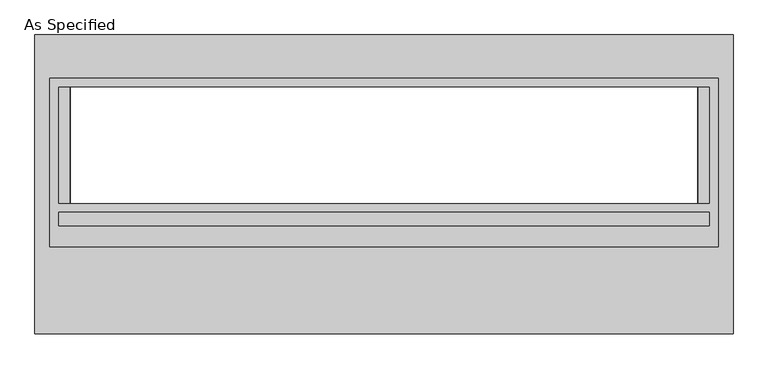
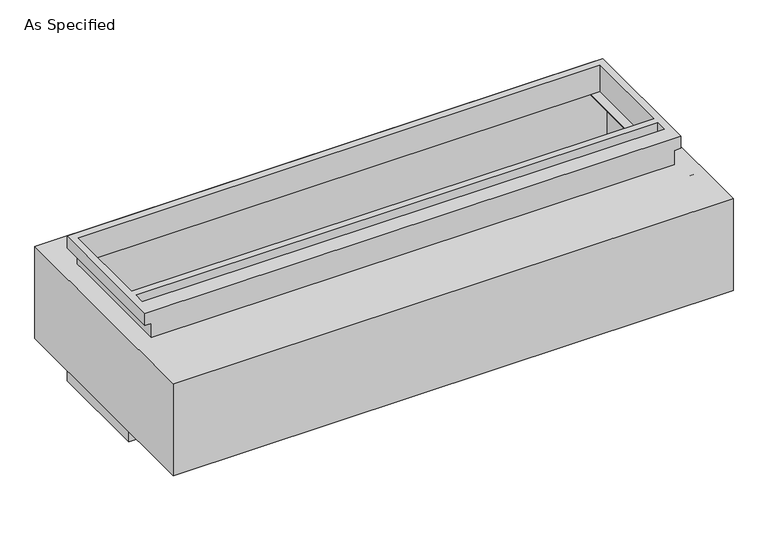
"""IFC4 building model written with IfcOpenShell, lengths in millimetres: proxy geometry, As Specified."""

from ifc_helpers import new_model, si_unit, frame, origin, place, context, project, spatial, polyline, circle_curve, faceted_brep, source, transform, mapped, element, save
from ifc_brep_helpers import plane_surface, revolved_surface, advanced_brep


def as_specified_a79d4cc7(model_context):
    return source(origin(), model_context, "Body", "SolidModel", [
        faceted_brep([(1460.5, 464.2941406, -682.625), (1460.5, -119.9058594, -682.625), (-1460.5, -119.9058594, -682.625), (-1460.5, 464.2941406, -682.625), (1422.4, -83.3933594, -682.625), (1422.4, 424.6066406, -682.625), (-1422.4, 424.6066406, -682.625), (-1422.4, -83.3933594, -682.625), (-1425.575, -119.9058594, -530.225), (1425.575, -119.9058594, -530.225), (1425.575, 429.3691406, -530.225), (-1425.575, 429.3691406, -530.225), (1422.4, 424.6066406, -530.225), (1422.4, -83.3933594, -530.225), (-1422.4, -83.3933594, -530.225), (-1422.4, 424.6066406, -530.225), (-1460.5, 464.2941406, -612.775), (1460.5, 464.2941406, -612.775), (-1460.5, -119.9058594, -612.775), (1460.5, -119.9058594, -612.775), (1425.575, -119.9058594, -612.775), (-1425.575, -119.9058594, -612.775), (-1425.575, 429.3691406, -612.775), (1425.575, 429.3691406, -612.775)], [[[0, 1, 2, 3], [4, 5, 6, 7]], [[8, 9, 10, 11], [12, 13, 14, 15]], [[0, 3, 16, 17]], [[3, 2, 18, 16]], [[2, 1, 19, 20, 9, 8, 21, 18]], [[1, 0, 17, 19]], [[22, 23, 20, 19, 17, 16, 18, 21]], [[23, 10, 9, 20]], [[23, 22, 11, 10]], [[11, 22, 21, 8]], [[12, 5, 4, 13]], [[13, 4, 7, 14]], [[14, 7, 6, 15]], [[5, 12, 15, 6]]]),
        advanced_brep(
        [(1526.38125, 653.3058594, -530.3242188), (1526.38125, -653.3058594, -530.3242188), (-1526.38125, -653.3058594, -530.3242188), (-1526.38125, 653.3058594, -530.3242188), (1371.6, -83.3933594, -530.3242188), (1371.6, 424.6066406, -530.3242188), (-1371.6, 424.6066406, -530.3242188), (-1371.6, -83.3933594, -530.3242188), (1526.38125, 653.3058594, 0.0), (-1526.38125, 653.3058594, 0.0), (-1526.38125, -653.3058594, 0.0), (1526.38125, -653.3058594, 0.0), (1371.6, 424.6066406, 0.0), (1371.6, -83.3933594, 0.0), (-1371.6, -83.3933594, 0.0), (-1371.6, 424.6066406, 0.0), (1526.38125, -272.3058594, -430.3117188), (1526.38125, -294.5308594, -430.3117188), (1526.38125, -170.7058594, -430.3117188), (1526.38125, -192.9308594, -430.3117188), (1526.38125, -272.3058594, -100.1117188), (1526.38125, -294.5308594, -100.1117188), (1526.38125, -170.7058594, -100.1117188), (1526.38125, -192.9308594, -100.1117188), (-1460.5, 424.6066406, -527.05), (-1460.5, -83.3933594, -527.05), (-1371.6, -83.3933594, -527.05), (-1371.6, 424.6066406, -527.05), (1460.5, -83.3933594, -527.05), (1460.5, 424.6066406, -527.05), (1371.6, 424.6066406, -527.05), (1371.6, -83.3933594, -527.05), (1460.5, 424.6066406, -3.175), (1460.5, -83.3933594, -3.175), (1371.6, -83.3933594, -3.175), (1371.6, 424.6066406, -3.175), (-1460.5, -83.3933594, -3.175), (-1460.5, 424.6066406, -3.175), (-1371.6, 424.6066406, -3.175), (-1371.6, -83.3933594, -3.175), (1510.528271, -294.5308594, -430.3117188), (1510.528271, -272.3058594, -430.3117188), (1510.528271, -192.9308594, -430.3117188), (1510.528271, -170.7058594, -430.3117188), (1510.528271, -294.5308594, -100.1117188), (1510.528271, -272.3058594, -100.1117188), (1510.528271, -192.9308594, -100.1117188), (1510.528271, -170.7058594, -100.1117188)],
        [
            (0, 1),
            (1, 2),
            (2, 3),
            (3, 0),
            (4, 5),
            (5, 6),
            (6, 7),
            (7, 4),
            (8, 9),
            (9, 10),
            (10, 11),
            (11, 8),
            (12, 13),
            (13, 14),
            (14, 15),
            (15, 12),
            (3, 9),
            (8, 0),
            (2, 10),
            (1, 11),
            (16, 17, circle_curve(frame((1526.38125, -283.4183594, -430.3117188), z_axis=(-1.0, 0.0, 0.0), x_axis=(0.0, 1.0, 0.0)), 11.1125)),
            (17, 16, circle_curve(frame((1526.38125, -283.4183594, -430.3117188), z_axis=(-1.0, 0.0, 0.0), x_axis=(0.0, 1.0, 0.0)), 11.1125)),
            (18, 19, circle_curve(frame((1526.38125, -181.8183594, -430.3117188), z_axis=(-1.0, 0.0, 0.0), x_axis=(0.0, 1.0, 0.0)), 11.1125)),
            (19, 18, circle_curve(frame((1526.38125, -181.8183594, -430.3117188), z_axis=(-1.0, 0.0, 0.0), x_axis=(0.0, 1.0, 0.0)), 11.1125)),
            (20, 21, circle_curve(frame((1526.38125, -283.4183594, -100.1117188), z_axis=(-1.0, 0.0, 0.0), x_axis=(0.0, 1.0, 0.0)), 11.1125)),
            (21, 20, circle_curve(frame((1526.38125, -283.4183594, -100.1117188), z_axis=(-1.0, 0.0, 0.0), x_axis=(0.0, 1.0, 0.0)), 11.1125)),
            (22, 23, circle_curve(frame((1526.38125, -181.8183594, -100.1117188), z_axis=(-1.0, 0.0, 0.0), x_axis=(0.0, 1.0, 0.0)), 11.1125)),
            (23, 22, circle_curve(frame((1526.38125, -181.8183594, -100.1117188), z_axis=(-1.0, 0.0, 0.0), x_axis=(0.0, 1.0, 0.0)), 11.1125)),
            (24, 25),
            (25, 26),
            (26, 27),
            (27, 24),
            (28, 29),
            (29, 30),
            (30, 31),
            (31, 28),
            (32, 33),
            (33, 34),
            (34, 35),
            (35, 32),
            (36, 37),
            (37, 38),
            (38, 39),
            (39, 36),
            (28, 33),
            (32, 29),
            (31, 4),
            (7, 26),
            (25, 36),
            (39, 14),
            (13, 34),
            (24, 37),
            (35, 12),
            (15, 38),
            (27, 6),
            (5, 30),
            (40, 41, circle_curve(frame((1510.528271, -283.4183594, -430.3117188), z_axis=(1.0, 0.0, 0.0), x_axis=(0.0, 1.0, 0.0)), 11.1125)),
            (41, 40, circle_curve(frame((1510.528271, -283.4183594, -430.3117188), z_axis=(1.0, 0.0, 0.0), x_axis=(0.0, 1.0, 0.0)), 11.1125)),
            (42, 43, circle_curve(frame((1510.528271, -181.8183594, -430.3117188), z_axis=(1.0, 0.0, 0.0), x_axis=(0.0, 1.0, 0.0)), 11.1125)),
            (43, 42, circle_curve(frame((1510.528271, -181.8183594, -430.3117188), z_axis=(1.0, 0.0, 0.0), x_axis=(0.0, 1.0, 0.0)), 11.1125)),
            (44, 45, circle_curve(frame((1510.528271, -283.4183594, -100.1117188), z_axis=(1.0, 0.0, 0.0), x_axis=(0.0, 1.0, 0.0)), 11.1125)),
            (45, 44, circle_curve(frame((1510.528271, -283.4183594, -100.1117188), z_axis=(1.0, 0.0, 0.0), x_axis=(0.0, 1.0, 0.0)), 11.1125)),
            (46, 47, circle_curve(frame((1510.528271, -181.8183594, -100.1117188), z_axis=(1.0, 0.0, 0.0), x_axis=(0.0, 1.0, 0.0)), 11.1125)),
            (47, 46, circle_curve(frame((1510.528271, -181.8183594, -100.1117188), z_axis=(1.0, 0.0, 0.0), x_axis=(0.0, 1.0, 0.0)), 11.1125)),
            (40, 17),
            (16, 41),
            (42, 19),
            (18, 43),
            (44, 21),
            (20, 45),
            (46, 23),
            (22, 47),
        ],
        [
            plane_surface(frame((-1526.38125, 653.3058594, -530.3242188), z_axis=(0.0, 0.0, -1.0), x_axis=(1.0, 0.0, 0.0))),
            plane_surface(frame((-1526.38125, 653.3058594, 0.0), z_axis=(0.0, 0.0, 1.0), x_axis=(-1.0, 0.0, 0.0))),
            plane_surface(frame((1526.38125, 653.3058594, 0.0), z_axis=(0.0, 1.0, 0.0), x_axis=(0.0, 0.0, -1.0))),
            plane_surface(frame((-1526.38125, 653.3058594, 0.0), z_axis=(-1.0, 0.0, 0.0), x_axis=(0.0, 0.0, -1.0))),
            plane_surface(frame((-1526.38125, -653.3058594, 0.0), z_axis=(0.0, -1.0, 0.0), x_axis=(0.0, 0.0, -1.0))),
            plane_surface(frame((1526.38125, -653.3058594, 0.0), z_axis=(1.0, 0.0, 0.0), x_axis=(0.0, 0.0, -1.0))),
            plane_surface(frame((1460.5, 424.6066406, -527.05), z_axis=(0.0, 0.0, 1.0), x_axis=(0.0, -1.0, 0.0))),
            plane_surface(frame((1460.5, 424.6066406, -3.175), z_axis=(0.0, 0.0, -1.0), x_axis=(0.0, 1.0, 0.0))),
            plane_surface(frame((1460.5, 424.6066406, -527.05), z_axis=(-1.0, 0.0, 0.0), x_axis=(0.0, 0.0, 1.0))),
            plane_surface(frame((1460.5, -83.3933594, -527.05), z_axis=(0.0, 1.0, 0.0), x_axis=(0.0, 0.0, 1.0))),
            plane_surface(frame((-1460.5, -83.3933594, -527.05), z_axis=(1.0, 0.0, 0.0), x_axis=(0.0, 0.0, 1.0))),
            plane_surface(frame((-1460.5, 424.6066406, -527.05), z_axis=(0.0, -1.0, 0.0), x_axis=(0.0, 0.0, 1.0))),
            plane_surface(frame((1371.6, 424.6066406, -25.4), z_axis=(-1.0, 0.0, 0.0), x_axis=(0.0, 0.0, 1.0))),
            plane_surface(frame((-1371.6, -83.3933594, -25.4), z_axis=(1.0, 0.0, 0.0), x_axis=(0.0, 0.0, 1.0))),
            plane_surface(frame((1510.528271, -272.3058594, -430.3117188), z_axis=(1.0, 0.0, 0.0), x_axis=(0.0, 0.0, -1.0))),
            revolved_surface(polyline([(1526.38125, -272.3058594, -430.3117188), (1510.528271, -272.3058594, -430.3117188)]), (1510.528271, -283.4183594, -430.3117188), (1.0, 0.0, 0.0)),
            revolved_surface(polyline([(1526.38125, -170.70585939999998, -430.3117188), (1510.528271, -170.70585939999998, -430.3117188)]), (0.0, -181.8183594, -430.3117188), (1.0, 0.0, 0.0)),
            revolved_surface(polyline([(1526.38125, -272.3058594, -100.1117188), (1510.528271, -272.3058594, -100.1117188)]), (0.0, -283.4183594, -100.1117188), (1.0, 0.0, 0.0)),
            revolved_surface(polyline([(1526.38125, -170.70585939999998, -100.1117188), (1510.528271, -170.70585939999998, -100.1117188)]), (0.0, -181.8183594, -100.1117188), (1.0, 0.0, 0.0)),
            plane_surface(frame((1371.6, -83.3933594, -504.825), z_axis=(-1.0, 0.0, 0.0), x_axis=(0.0, 0.0, -1.0))),
            plane_surface(frame((-1371.6, 424.6066406, -504.825), z_axis=(1.0, 0.0, 0.0), x_axis=(0.0, 0.0, -1.0))),
        ],
        [
            (0, [[1, 2, 3, 4], [5, 6, 7, 8]]),
            (1, [[9, 10, 11, 12], [13, 14, 15, 16]]),
            (2, [[-4, 17, -9, 18]]),
            (3, [[-3, 19, -10, -17]]),
            (4, [[-2, 20, -11, -19]]),
            (5, [[-1, -18, -12, -20], [21, 22], [23, 24], [25, 26], [27, 28]]),
            (6, [[29, 30, 31, 32]]),
            (6, [[33, 34, 35, 36]]),
            (7, [[37, 38, 39, 40]]),
            (7, [[41, 42, 43, 44]]),
            (8, [[-33, 45, -37, 46]]),
            (9, [[-45, -36, 47, -8, 48, -30, 49, -44, 50, -14, 51, -38]]),
            (10, [[-29, 52, -41, -49]]),
            (11, [[-46, -40, 53, -16, 54, -42, -52, -32, 55, -6, 56, -34]]),
            (12, [[-53, -39, -51, -13]]),
            (13, [[-50, -43, -54, -15]]),
            (14, [[57, 58]]),
            (14, [[59, 60]]),
            (14, [[61, 62]]),
            (14, [[63, 64]]),
            (15, [[-57, 65, -21, 66]]),
            (15, [[-58, -66, -22, -65]]),
            (16, [[-59, 67, -23, 68]]),
            (16, [[-60, -68, -24, -67]]),
            (17, [[-61, 69, -25, 70]]),
            (17, [[-62, -70, -26, -69]]),
            (18, [[-63, 71, -27, 72]]),
            (18, [[-64, -72, -28, -71]]),
            (19, [[-47, -35, -56, -5]]),
            (20, [[-48, -7, -55, -31]]),
        ],
    ),
        faceted_brep([(1460.5, 464.2941406, 152.4), (-1460.5, 464.2941406, 152.4), (-1460.5, -272.3058594, 152.4), (1460.5, -272.3058594, 152.4), (1422.4, 424.6066406, 152.4), (1422.4, -83.3933594, 152.4), (-1422.4, -83.3933594, 152.4), (-1422.4, 424.6066406, 152.4), (1422.4, -121.4933594, 152.4), (1422.4, -181.8183594, 152.4), (-1422.4, -181.8183594, 152.4), (-1422.4, -121.4933594, 152.4), (1425.575, -272.3058594, 0.0), (-1425.575, -272.3058594, 0.0), (-1425.575, 429.3691406, 0.0), (1425.575, 429.3691406, 0.0), (1422.4, -83.3933594, 0.0), (1422.4, 424.6066406, 0.0), (-1422.4, 424.6066406, 0.0), (-1422.4, -83.3933594, 0.0), (1460.5, 464.2941406, 82.55), (-1460.5, 464.2941406, 82.55), (-1460.5, -272.3058594, 82.55), (-1425.575, -272.3058594, 82.55), (1425.575, -272.3058594, 82.55), (1460.5, -272.3058594, 82.55), (1425.575, 429.3691406, 82.55), (-1425.575, 429.3691406, 82.55), (1422.4, -121.4933594, 82.55), (-1422.4, -121.4933594, 82.55), (-1422.4, -181.8183594, 82.55), (1422.4, -181.8183594, 82.55)], [[[0, 1, 2, 3], [4, 5, 6, 7], [8, 9, 10, 11]], [[12, 13, 14, 15], [16, 17, 18, 19]], [[1, 0, 20, 21]], [[2, 1, 21, 22]], [[3, 2, 22, 23, 13, 12, 24, 25]], [[0, 3, 25, 20]], [[24, 26, 27, 23, 22, 21, 20, 25]], [[26, 24, 12, 15]], [[27, 26, 15, 14]], [[23, 27, 14, 13]], [[16, 5, 4, 17]], [[5, 16, 19, 6]], [[6, 19, 18, 7]], [[17, 4, 7, 18]], [[28, 29, 30, 31]], [[28, 31, 9, 8]], [[31, 30, 10, 9]], [[30, 29, 11, 10]], [[29, 28, 8, 11]]]),
    ])


if __name__ == "__main__":
    model = new_model("IFC4")
    model_context = context("Model", 3, world=origin())
    ifc_project = project(units=[si_unit("LENGTHUNIT", "METRE", prefix="MILLI")], contexts=[model_context])
    site = spatial("IfcSite", under=ifc_project)
    building = spatial("IfcBuilding", under=site)
    placement = place(None, origin())
    as_specified_shape = as_specified_a79d4cc7(model_context)
    element("IfcBuildingElementProxy", 1, Name="As Specified", ObjectType="As Specified", at=placement, inside=building, context=model_context, shape_type="MappedRepresentation", body=[
        mapped(as_specified_shape, transform((0.0, 0.0, 0.0), x_axis=(1.0, 0.0, 0.0), y_axis=(0.0, 1.0, 0.0), z_axis=(0.0, 0.0, 1.0))),
    ])
    save(model, "model.ifc")
